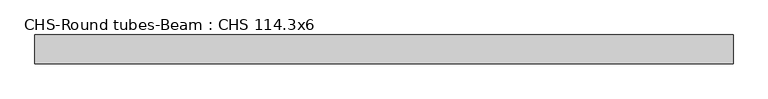
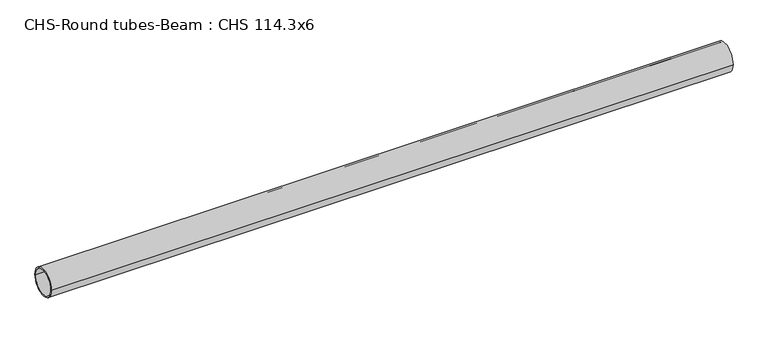
"""IFC4 building model written with IfcOpenShell, lengths in millimetres: beam geometry, CHS-Round tubes-Beam : CHS 114.3x6."""

from ifc_helpers import new_model, si_unit, point, frame, origin, origin_2d, place, context, project, spatial, circle_curve, trimmed, segment, composite_curve, outline, extrude, source, transform, mapped, element, save


def chs_round_tubes_beam_chs_114_3x6_dd3f8819(model_context):
    return source(origin(), model_context, "Body", "SweptSolid", [
        extrude(outline(composite_curve([segment(trimmed(circle_curve(origin_2d(), 57.15), [point((57.15, 0.0))], [point((-57.15, 0.0))], False, "CARTESIAN"), True, "CONTINUOUS"), segment(trimmed(circle_curve(origin_2d(), 57.15), [point((-57.15, 0.0))], [point((57.15, 0.0))], False, "CARTESIAN"), True, "CONTINUOUS")], self_intersect=False), holes=[composite_curve([segment(trimmed(circle_curve(origin_2d(), 51.15), [point((51.15, 0.0))], [point((-51.15, 0.0))], True, "CARTESIAN"), True, "CONTINUOUS"), segment(trimmed(circle_curve(origin_2d(), 51.15), [point((-51.15, 0.0))], [point((51.15, 0.0))], True, "CARTESIAN"), True, "CONTINUOUS")], self_intersect=False)]), frame((-1376.4683419, 0.0, 0.0), z_axis=(1.0, 0.0, 0.0), x_axis=(0.0, 1.0, 0.0)), (0.0, 0.0, 1.0), 2752.3999411),
    ])


if __name__ == "__main__":
    model = new_model("IFC4")
    model_context = context("Model", 3, world=origin())
    ifc_project = project(units=[si_unit("LENGTHUNIT", "METRE", prefix="MILLI")], contexts=[model_context])
    site = spatial("IfcSite", under=ifc_project)
    building = spatial("IfcBuilding", under=site)
    placement = place(None, origin())
    chs_round_tubes_beam_chs_114_3x6_shape = chs_round_tubes_beam_chs_114_3x6_dd3f8819(model_context)
    element("IfcBeam", 1, ObjectType="CHS-Round tubes-Beam : CHS 114.3x6", at=placement, inside=building, context=model_context, shape_type="MappedRepresentation", body=[
        mapped(chs_round_tubes_beam_chs_114_3x6_shape, transform((0.0, 0.0, 0.0), x_axis=(1.0, 0.0, 0.0), y_axis=(0.0, 1.0, 0.0), z_axis=(0.0, 0.0, 1.0))),
    ])
    save(model, "model.ifc")
